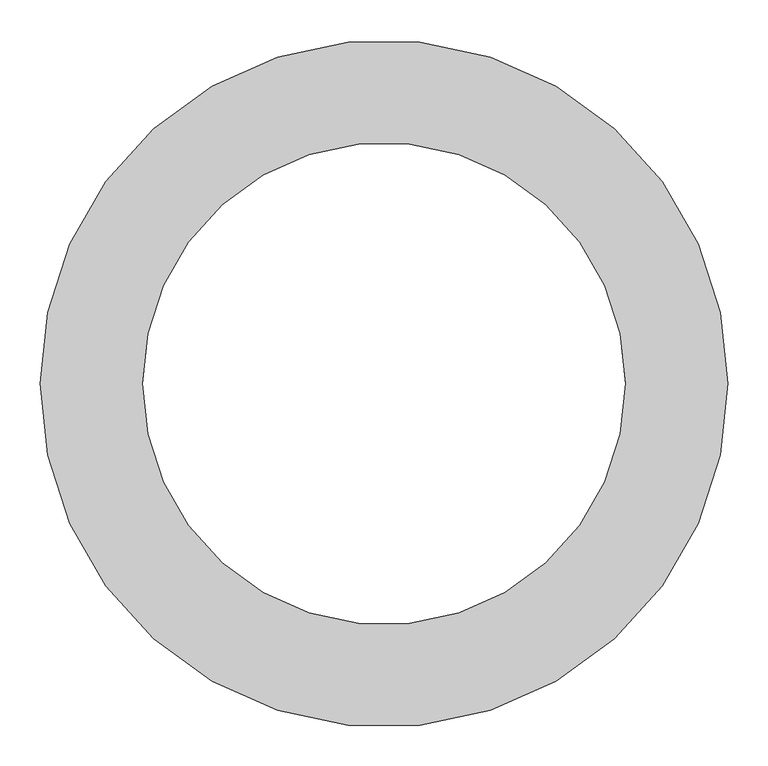
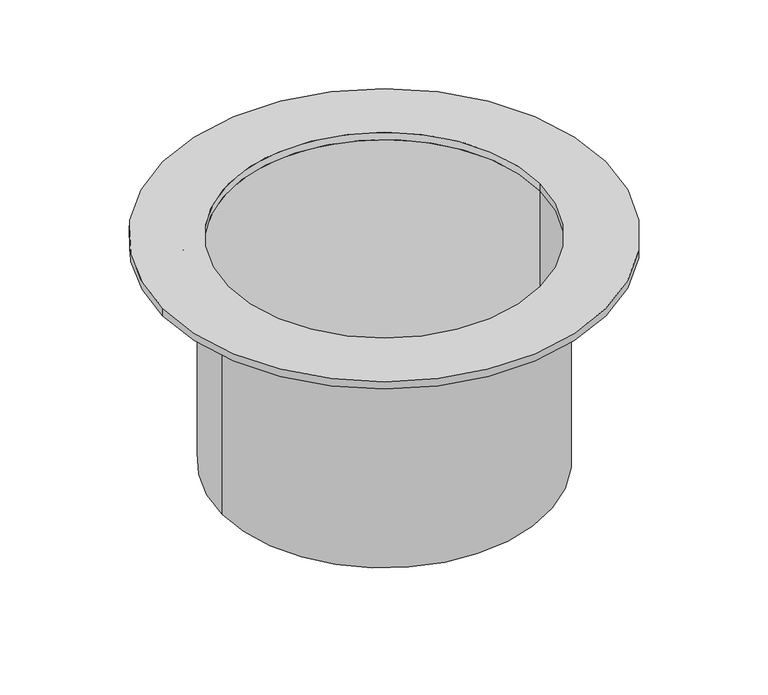
"""IFC4 building model written with IfcOpenShell, lengths in millimetres: proxy geometry."""

from ifc_helpers import new_model, si_unit, point, frame, origin, origin_2d, place, context, project, spatial, polyline, circle_curve, trimmed, segment, composite_curve, outline, extrude, source, transform, mapped, element, save


def specialty_equipment_2c5f0238(model_context):
    return source(origin(), model_context, "Body", "SweptSolid", [
        extrude(outline(composite_curve([segment(trimmed(circle_curve(origin_2d(), 313.0), [point((-313.0, 0.0))], [point((313.0, 0.0))], False, "CARTESIAN"), True, "CONTINUOUS"), segment(trimmed(circle_curve(origin_2d(), 313.0), [point((313.0, 0.0))], [point((-313.0, 0.0))], False, "CARTESIAN"), True, "CONTINUOUS")], self_intersect=False), holes=[composite_curve([segment(trimmed(circle_curve(origin_2d(), 300.0), [point((-300.0, 0.0))], [point((300.0, 0.0))], True, "CARTESIAN"), True, "CONTINUOUS"), segment(trimmed(circle_curve(origin_2d(), 300.0), [point((300.0, 0.0))], [point((-300.0, 0.0))], True, "CARTESIAN"), True, "CONTINUOUS")], self_intersect=False)]), frame((0.0, 0.0, -460.0), z_axis=(0.0, 0.0, 1.0), x_axis=(1.0, 0.0, 0.0)), (0.0, 0.0, 1.0), 445.0499376),
        extrude(outline(composite_curve([segment(trimmed(circle_curve(origin_2d(), 427.5), [point((-427.5, 0.0))], [point((427.5, 0.0))], False, "CARTESIAN"), True, "CONTINUOUS"), segment(trimmed(circle_curve(origin_2d(), 427.5), [point((427.5, 0.0))], [point((-427.5, 0.0))], False, "CARTESIAN"), True, "CONTINUOUS")], self_intersect=False), holes=[composite_curve([segment(trimmed(circle_curve(origin_2d(), 300.0), [point((-300.0, 0.0))], [point((300.0, 0.0))], True, "CARTESIAN"), True, "CONTINUOUS"), segment(trimmed(circle_curve(origin_2d(), 300.0), [point((300.0, 0.0))], [point((-300.0, 0.0))], True, "CARTESIAN"), True, "CONTINUOUS")], self_intersect=False)]), frame((0.0, 0.0, -14.9500624), z_axis=(0.0, 0.0, 1.0), x_axis=(1.0, 0.0, 0.0)), (0.0, 0.0, 1.0), 14.9500624),
        extrude(outline(polyline([(0.0, 0.0), (103.6001835, 0.0), (97.7366644, -23.939106), (0.0, 0.0)])), frame((-395.4623133, -121.3292977, -14.9500624), z_axis=(-0.2817325568411386, 0.959492973614583, 0.0), x_axis=(0.9319450222341504, 0.2736437484896747, -0.23790244732980043)), (0.0, 0.0, 1.0), 10.0),
        extrude(outline(polyline([(100.6257242, 0.0), (0.0, -24.6467372), (0.0, 0.0), (100.6257242, 0.0)])), frame((-201.1926619, -239.8239204, -14.9500624), z_axis=(-0.7557495743540761, 0.6548607339454953, 0.0), x_axis=(-0.6548607339454953, -0.7557495743540761, 0.0)), (0.0, 0.0, 1.0), 10.0),
        extrude(outline(polyline([(42.0990731, 0.0), (42.0990731, -100.6257242), (17.0491355, 0.0), (42.0990731, 0.0)])), frame((-260.6091517, -173.4268435, -57.0491355), z_axis=(-0.5406408174553543, 0.8412535328313376, 0.0), x_axis=(0.0, 0.0, 1.0)), (0.0, 0.0, 1.0), 10.0),
        extrude(outline(polyline([(42.0990731, 0.0), (42.0990731, -100.6257242), (17.0491355, 0.0), (42.0990731, 0.0)])), frame((-125.4767391, -286.7918896, -57.0491355), z_axis=(-0.9096319953544103, 0.41541501300212325, 0.0), x_axis=(0.0, 0.0, 1.0)), (0.0, 0.0, 1.0), 10.0),
        extrude(outline(polyline([(0.0, 0.0), (103.6001836, 0.0), (97.7366645, -23.9391061), (0.0, 0.0)])), frame((-53.9159708, -410.127185, -14.9500624), z_axis=(-0.9898214418808979, 0.142314838273527, 0.0), x_axis=(0.1382288445734335, 0.9614027314722929, -0.2379024473297994)), (0.0, 0.0, 1.0), 10.0),
        extrude(outline(polyline([(-14.9500624, 413.6257242), (-14.9500624, 313.0), (-39.5967996, 313.0), (-14.9500624, 413.6257242)])), frame((0.0, -5.0, 0.0), z_axis=(0.0, 1.0, 0.0), x_axis=(0.0, 0.0, 1.0)), (0.0, 0.0, 1.0), 10.0),
        extrude(outline(polyline([(-42.0990731, 0.0), (-17.0491355, 0.0), (-42.0990731, -100.6257243), (-42.0990731, 0.0)])), frame((301.7299635, 83.3848254, -57.0491355), z_axis=(-0.2817325568412944, 0.9594929736145372, 0.0), x_axis=(0.0, 0.0, -1.0)), (0.0, 0.0, 1.0), 10.0),
        extrude(outline(polyline([(0.0, 0.0), (-97.7366644, -23.9391061), (-103.6001835, 0.0), (0.0, 0.0)])), frame((350.6673059, 219.416682, -14.9500624), z_axis=(-0.5406408174554922, 0.8412535328312488, 0.0), x_axis=(0.8171003477029113, 0.5251185078991915, 0.23790244732980004)), (0.0, 0.0, 1.0), 10.0),
        extrude(outline(polyline([(0.0, 0.0), (-97.7366644, -23.9391061), (-103.6001835, 0.0), (0.0, 0.0)])), frame((345.2608977, -227.8292173, -14.9500624), z_axis=(0.5406408174557529, 0.8412535328310815, 0.0), x_axis=(0.8171003477027489, -0.5251185078994447, 0.23790244732979945)), (0.0, 0.0, 1.0), 10.0),
        extrude(outline(polyline([(0.0, 0.0), (0.0, -25.0499376), (-100.6257241, 0.0), (0.0, 0.0)])), frame((298.912638, -92.9797552, -14.9500624), z_axis=(0.2817325568415959, 0.9594929736144486, 0.0), x_axis=(-0.9594929736144486, 0.2817325568415959, 0.0)), (0.0, 0.0, 1.0), 10.0),
        extrude(outline(polyline([(0.0, 0.0), (0.0, -25.0499376), (-100.6257242, 0.0), (0.0, 0.0)])), frame((201.1926619, -239.8239204, -14.9500624), z_axis=(0.7557495743543908, 0.6548607339451322, 0.0), x_axis=(-0.6548607339451322, 0.7557495743543908, 0.0)), (0.0, 0.0, 1.0), 10.0),
        extrude(outline(polyline([(-100.6257242, 0.0), (0.0, 0.0), (0.0, -24.6467372), (-100.6257242, 0.0)])), frame((125.4767391, -286.7918896, -14.9500624), z_axis=(0.909631995354609, 0.41541501300168815, 0.0), x_axis=(-0.41541501300168815, 0.909631995354609, 0.0)), (0.0, 0.0, 1.0), 10.0),
        extrude(outline(polyline([(-42.0990731, 0.0), (-17.0491355, 0.0), (-42.0990731, -100.6257243), (-42.0990731, 0.0)])), frame((39.5954372, -310.5256855, -57.0491355), z_axis=(0.9898214418809654, 0.14231483827305813, 0.0), x_axis=(0.0, 0.0, -1.0)), (0.0, 0.0, 1.0), 10.0),
        extrude(outline(polyline([(0.0, 0.0), (103.6001836, 0.0), (97.7366645, -23.9391061), (0.0, 0.0)])), frame((-63.8141853, 408.7040366, -14.9500624), z_axis=(0.9898214418809428, 0.1423148382732152, 0.0), x_axis=(0.13822884457313064, -0.9614027314723363, -0.23790244732979987)), (0.0, 0.0, 1.0), 10.0),
        extrude(outline(polyline([(0.0, 0.0), (0.0, -25.0499376), (-100.6257243, 0.0), (0.0, 0.0)])), frame((49.4936516, 309.1025371, -14.9500624), z_axis=(-0.9898214418809201, 0.14231483827337268, 0.0), x_axis=(-0.14231483827337268, -0.9898214418809201, 0.0)), (0.0, 0.0, 1.0), 10.0),
        extrude(outline(polyline([(-100.6257242, 0.0), (0.0, 0.0), (0.0, -24.6467372), (-100.6257242, 0.0)])), frame((134.573059, 282.6377395, -14.9500624), z_axis=(-0.909631995354475, 0.41541501300198136, 0.0), x_axis=(-0.41541501300198136, -0.909631995354475, 0.0)), (0.0, 0.0, 1.0), 10.0),
        extrude(outline(polyline([(-42.0990731, 0.0), (-17.0491355, 0.0), (-42.0990731, -100.6257242), (-42.0990731, 0.0)])), frame((208.7501576, 233.2753131, -57.0491355), z_axis=(-0.7557495743541826, 0.6548607339453725, 0.0), x_axis=(0.0, 0.0, -1.0)), (0.0, 0.0, 1.0), 10.0),
        extrude(outline(polyline([(100.6257242, 0.0), (0.0, -24.6467372), (0.0, 0.0), (100.6257242, 0.0)])), frame((-208.7501576, 233.2753131, -14.9500624), z_axis=(0.7557495743542878, 0.6548607339452511, 0.0), x_axis=(-0.6548607339452511, 0.7557495743542878, 0.0)), (0.0, 0.0, 1.0), 10.0),
        extrude(outline(polyline([(42.0990731, 0.0), (42.0990731, -100.6257242), (17.0491355, 0.0), (42.0990731, 0.0)])), frame((-134.573059, 282.6377395, -57.0491355), z_axis=(0.9096319953545418, 0.41541501300183514, 0.0), x_axis=(0.0, 0.0, 1.0)), (0.0, 0.0, 1.0), 10.0),
        extrude(outline(polyline([(42.0990731, 0.0), (42.0990731, -100.6257242), (17.0491355, 0.0), (42.0990731, 0.0)])), frame((-266.0155599, 165.0143082, -57.0491355), z_axis=(0.5406408174556205, 0.8412535328311666, 0.0), x_axis=(0.0, 0.0, 1.0)), (0.0, 0.0, 1.0), 10.0),
        extrude(outline(composite_curve([segment(trimmed(circle_curve(origin_2d(), 313.0), [point((-260.5755532, -173.4052511))], [point((-208.7240033, -233.2451295))], True, "CARTESIAN"), True, "CONTINUOUS"), segment(polyline([(-208.7240033, -233.2451295), (-225.0974564, -252.1411016)]), True, "CONTINUOUS"), segment(trimmed(circle_curve(origin_2d(), 338.0), [point((-225.0974564, -252.1411016))], [point((-281.6093769, -186.9228688))], False, "CARTESIAN"), True, "CONTINUOUS"), segment(polyline([(-281.6093769, -186.9228688), (-260.5755532, -173.4052511)]), True, "CONTINUOUS")], self_intersect=False)), frame((0.0, 0.0, -19.9500624), z_axis=(0.0, 0.0, 1.0), x_axis=(1.0, 0.0, 0.0)), (0.0, 0.0, 1.0), 5.0),
        extrude(outline(composite_curve([segment(polyline([(-265.9819613, -164.9927157), (-287.015785, -178.5103334)]), True, "CONTINUOUS"), segment(trimmed(circle_curve(origin_2d(), 338.0), [point((-287.015785, -178.5103334))], [point((-322.8644761, -100.0126494))], False, "CARTESIAN"), True, "CONTINUOUS"), segment(polyline([(-322.8644761, -100.0126494), (-298.8743171, -92.9685031)]), True, "CONTINUOUS"), segment(trimmed(circle_curve(origin_2d(), 313.0), [point((-298.8743171, -92.9685031))], [point((-265.9819613, -164.9927157))], True, "CARTESIAN"), True, "CONTINUOUS")], self_intersect=False)), frame((0.0, 0.0, -19.9500624), z_axis=(0.0, 0.0, 1.0), x_axis=(1.0, 0.0, 0.0)), (0.0, 0.0, 1.0), 5.0),
        extrude(outline(composite_curve([segment(polyline([(-312.9600613, 5.0), (-337.9630157, 5.0)]), True, "CONTINUOUS"), segment(trimmed(circle_curve(origin_2d(), 338.0), [point((-337.9630157, 5.0))], [point((-325.6818017, 90.4177197))], False, "CARTESIAN"), True, "CONTINUOUS"), segment(polyline([(-325.6818017, 90.4177197), (-301.6916427, 83.3735734)]), True, "CONTINUOUS"), segment(trimmed(circle_curve(origin_2d(), 313.0), [point((-301.6916427, 83.3735734))], [point((-312.9600613, 5.0))], True, "CARTESIAN"), True, "CONTINUOUS")], self_intersect=False)), frame((0.0, 0.0, -19.9500624), z_axis=(0.0, 0.0, 1.0), x_axis=(1.0, 0.0, 0.0)), (0.0, 0.0, 1.0), 5.0),
        extrude(outline(composite_curve([segment(trimmed(circle_curve(origin_2d(), 313.0), [point((-312.9600613, -5.0))], [point((-301.6916427, -83.3735734))], True, "CARTESIAN"), True, "CONTINUOUS"), segment(polyline([(-301.6916427, -83.3735734), (-325.6818017, -90.4177197)]), True, "CONTINUOUS"), segment(trimmed(circle_curve(origin_2d(), 338.0), [point((-325.6818017, -90.4177197))], [point((-337.9630157, -5.0))], False, "CARTESIAN"), True, "CONTINUOUS"), segment(polyline([(-337.9630157, -5.0), (-312.9600613, -5.0)]), True, "CONTINUOUS")], self_intersect=False)), frame((0.0, 0.0, -19.9500624), z_axis=(0.0, 0.0, 1.0), x_axis=(1.0, 0.0, 0.0)), (0.0, 0.0, 1.0), 5.0),
        extrude(outline(composite_curve([segment(trimmed(circle_curve(origin_2d(), 313.0), [point((-265.9819613, 164.9927157))], [point((-298.8743171, 92.9685031))], True, "CARTESIAN"), True, "CONTINUOUS"), segment(polyline([(-298.8743171, 92.9685031), (-322.8644761, 100.0126494)]), True, "CONTINUOUS"), segment(trimmed(circle_curve(origin_2d(), 338.0), [point((-322.8644761, 100.0126494))], [point((-287.015785, 178.5103334))], False, "CARTESIAN"), True, "CONTINUOUS"), segment(polyline([(-287.015785, 178.5103334), (-265.9819613, 164.9927157)]), True, "CONTINUOUS")], self_intersect=False)), frame((0.0, 0.0, -19.9500624), z_axis=(0.0, 0.0, 1.0), x_axis=(1.0, 0.0, 0.0)), (0.0, 0.0, 1.0), 5.0),
        extrude(outline(composite_curve([segment(polyline([(-260.5755532, 173.4052511), (-281.6093769, 186.9228688)]), True, "CONTINUOUS"), segment(trimmed(circle_curve(origin_2d(), 338.0), [point((-281.6093769, 186.9228688))], [point((-225.0974564, 252.1411016))], False, "CARTESIAN"), True, "CONTINUOUS"), segment(polyline([(-225.0974564, 252.1411016), (-208.7240033, 233.2451295)]), True, "CONTINUOUS"), segment(trimmed(circle_curve(origin_2d(), 313.0), [point((-208.7240033, 233.2451295))], [point((-260.5755532, 173.4052511))], True, "CARTESIAN"), True, "CONTINUOUS")], self_intersect=False)), frame((0.0, 0.0, -19.9500624), z_axis=(0.0, 0.0, 1.0), x_axis=(1.0, 0.0, 0.0)), (0.0, 0.0, 1.0), 5.0),
        extrude(outline(composite_curve([segment(polyline([(208.7240033, 233.2451295), (225.0974564, 252.1411016)]), True, "CONTINUOUS"), segment(trimmed(circle_curve(origin_2d(), 338.0), [point((225.0974564, 252.1411016))], [point((281.6093769, 186.9228688))], False, "CARTESIAN"), True, "CONTINUOUS"), segment(polyline([(281.6093769, 186.9228688), (260.5755532, 173.4052511)]), True, "CONTINUOUS"), segment(trimmed(circle_curve(origin_2d(), 313.0), [point((260.5755532, 173.4052511))], [point((208.7240033, 233.2451295))], True, "CARTESIAN"), True, "CONTINUOUS")], self_intersect=False)), frame((0.0, 0.0, -19.9500624), z_axis=(0.0, 0.0, 1.0), x_axis=(1.0, 0.0, 0.0)), (0.0, 0.0, 1.0), 5.0),
        extrude(outline(composite_curve([segment(trimmed(circle_curve(origin_2d(), 313.0), [point((201.1665076, 239.7937368))], [point((134.5564679, 282.60141))], True, "CARTESIAN"), True, "CONTINUOUS"), segment(polyline([(134.5564679, 282.60141), (144.9430705, 305.3448973)]), True, "CONTINUOUS"), segment(trimmed(circle_curve(origin_2d(), 338.0), [point((144.9430705, 305.3448973))], [point((217.5399607, 258.689709))], False, "CARTESIAN"), True, "CONTINUOUS"), segment(polyline([(217.5399607, 258.689709), (201.1665076, 239.7937368)]), True, "CONTINUOUS")], self_intersect=False)), frame((0.0, 0.0, -19.9500624), z_axis=(0.0, 0.0, 1.0), x_axis=(1.0, 0.0, 0.0)), (0.0, 0.0, 1.0), 5.0),
        extrude(outline(composite_curve([segment(trimmed(circle_curve(origin_2d(), 313.0), [point((39.5897533, 310.4861534))], [point((-39.5897533, 310.4861534))], True, "CARTESIAN"), True, "CONTINUOUS"), segment(polyline([(-39.5897533, 310.4861534), (-43.1480447, 335.2346137)]), True, "CONTINUOUS"), segment(trimmed(circle_curve(origin_2d(), 338.0), [point((-43.1480447, 335.2346137))], [point((43.1480447, 335.2346137))], False, "CARTESIAN"), True, "CONTINUOUS"), segment(polyline([(43.1480447, 335.2346137), (39.5897533, 310.4861534)]), True, "CONTINUOUS")], self_intersect=False)), frame((0.0, 0.0, -19.9500624), z_axis=(0.0, 0.0, 1.0), x_axis=(1.0, 0.0, 0.0)), (0.0, 0.0, 1.0), 5.0),
        extrude(outline(composite_curve([segment(polyline([(49.4879677, 309.063005), (53.0462591, 333.8114653)]), True, "CONTINUOUS"), segment(trimmed(circle_curve(origin_2d(), 338.0), [point((53.0462591, 333.8114653))], [point((135.8467506, 309.4990474))], False, "CARTESIAN"), True, "CONTINUOUS"), segment(polyline([(135.8467506, 309.4990474), (125.460148, 286.7555601)]), True, "CONTINUOUS"), segment(trimmed(circle_curve(origin_2d(), 313.0), [point((125.460148, 286.7555601))], [point((49.4879677, 309.063005))], True, "CARTESIAN"), True, "CONTINUOUS")], self_intersect=False)), frame((0.0, 0.0, -19.9500624), z_axis=(0.0, 0.0, 1.0), x_axis=(1.0, 0.0, 0.0)), (0.0, 0.0, 1.0), 5.0),
        extrude(outline(composite_curve([segment(polyline([(-125.460148, 286.7555601), (-135.8467506, 309.4990474)]), True, "CONTINUOUS"), segment(trimmed(circle_curve(origin_2d(), 338.0), [point((-135.8467506, 309.4990474))], [point((-53.0462591, 333.8114653))], False, "CARTESIAN"), True, "CONTINUOUS"), segment(polyline([(-53.0462591, 333.8114653), (-49.4879677, 309.063005)]), True, "CONTINUOUS"), segment(trimmed(circle_curve(origin_2d(), 313.0), [point((-49.4879677, 309.063005))], [point((-125.460148, 286.7555601))], True, "CARTESIAN"), True, "CONTINUOUS")], self_intersect=False)), frame((0.0, 0.0, -19.9500624), z_axis=(0.0, 0.0, 1.0), x_axis=(1.0, 0.0, 0.0)), (0.0, 0.0, 1.0), 5.0),
        extrude(outline(composite_curve([segment(trimmed(circle_curve(origin_2d(), 313.0), [point((-134.5564679, 282.60141))], [point((-201.1665076, 239.7937368))], True, "CARTESIAN"), True, "CONTINUOUS"), segment(polyline([(-201.1665076, 239.7937368), (-217.5399607, 258.689709)]), True, "CONTINUOUS"), segment(trimmed(circle_curve(origin_2d(), 338.0), [point((-217.5399607, 258.689709))], [point((-144.9430705, 305.3448973))], False, "CARTESIAN"), True, "CONTINUOUS"), segment(polyline([(-144.9430705, 305.3448973), (-134.5564679, 282.60141)]), True, "CONTINUOUS")], self_intersect=False)), frame((0.0, 0.0, -19.9500624), z_axis=(0.0, 0.0, 1.0), x_axis=(1.0, 0.0, 0.0)), (0.0, 0.0, 1.0), 5.0),
        extrude(outline(composite_curve([segment(trimmed(circle_curve(origin_2d(), 313.0), [point((298.8743171, 92.9685031))], [point((265.9819613, 164.9927157))], True, "CARTESIAN"), True, "CONTINUOUS"), segment(polyline([(265.9819613, 164.9927157), (287.015785, 178.5103334)]), True, "CONTINUOUS"), segment(trimmed(circle_curve(origin_2d(), 338.0), [point((287.015785, 178.5103334))], [point((322.8644761, 100.0126494))], False, "CARTESIAN"), True, "CONTINUOUS"), segment(polyline([(322.8644761, 100.0126494), (298.8743171, 92.9685031)]), True, "CONTINUOUS")], self_intersect=False)), frame((0.0, 0.0, -19.9500624), z_axis=(0.0, 0.0, 1.0), x_axis=(1.0, 0.0, 0.0)), (0.0, 0.0, 1.0), 5.0),
        extrude(outline(composite_curve([segment(polyline([(301.6916427, 83.3735734), (325.6818017, 90.4177197)]), True, "CONTINUOUS"), segment(trimmed(circle_curve(origin_2d(), 338.0), [point((325.6818017, 90.4177197))], [point((337.9630157, 5.0))], False, "CARTESIAN"), True, "CONTINUOUS"), segment(polyline([(337.9630157, 5.0), (312.9600613, 5.0)]), True, "CONTINUOUS"), segment(trimmed(circle_curve(origin_2d(), 313.0), [point((312.9600613, 5.0))], [point((301.6916427, 83.3735734))], True, "CARTESIAN"), True, "CONTINUOUS")], self_intersect=False)), frame((0.0, 0.0, -19.9500624), z_axis=(0.0, 0.0, 1.0), x_axis=(1.0, 0.0, 0.0)), (0.0, 0.0, 1.0), 5.0),
        extrude(outline(composite_curve([segment(polyline([(298.8743171, -92.9685031), (322.8644761, -100.0126494)]), True, "CONTINUOUS"), segment(trimmed(circle_curve(origin_2d(), 338.0), [point((322.8644761, -100.0126494))], [point((287.015785, -178.5103334))], False, "CARTESIAN"), True, "CONTINUOUS"), segment(polyline([(287.015785, -178.5103334), (265.9819613, -164.9927157)]), True, "CONTINUOUS"), segment(trimmed(circle_curve(origin_2d(), 313.0), [point((265.9819613, -164.9927157))], [point((298.8743171, -92.9685031))], True, "CARTESIAN"), True, "CONTINUOUS")], self_intersect=False)), frame((0.0, 0.0, -19.9500624), z_axis=(0.0, 0.0, 1.0), x_axis=(1.0, 0.0, 0.0)), (0.0, 0.0, 1.0), 5.0),
        extrude(outline(composite_curve([segment(trimmed(circle_curve(origin_2d(), 313.0), [point((301.6916427, -83.3735734))], [point((312.9600613, -5.0))], True, "CARTESIAN"), True, "CONTINUOUS"), segment(polyline([(312.9600613, -5.0), (337.9630157, -5.0)]), True, "CONTINUOUS"), segment(trimmed(circle_curve(origin_2d(), 338.0), [point((337.9630157, -5.0))], [point((325.6818017, -90.4177197))], False, "CARTESIAN"), True, "CONTINUOUS"), segment(polyline([(325.6818017, -90.4177197), (301.6916427, -83.3735734)]), True, "CONTINUOUS")], self_intersect=False)), frame((0.0, 0.0, -19.9500624), z_axis=(0.0, 0.0, 1.0), x_axis=(1.0, 0.0, 0.0)), (0.0, 0.0, 1.0), 5.0),
        extrude(outline(composite_curve([segment(trimmed(circle_curve(origin_2d(), 313.0), [point((208.7240033, -233.2451295))], [point((260.5755532, -173.4052511))], True, "CARTESIAN"), True, "CONTINUOUS"), segment(polyline([(260.5755532, -173.4052511), (281.6093769, -186.9228688)]), True, "CONTINUOUS"), segment(trimmed(circle_curve(origin_2d(), 338.0), [point((281.6093769, -186.9228688))], [point((225.0974564, -252.1411016))], False, "CARTESIAN"), True, "CONTINUOUS"), segment(polyline([(225.0974564, -252.1411016), (208.7240033, -233.2451295)]), True, "CONTINUOUS")], self_intersect=False)), frame((0.0, 0.0, -19.9500624), z_axis=(0.0, 0.0, 1.0), x_axis=(1.0, 0.0, 0.0)), (0.0, 0.0, 1.0), 5.0),
        extrude(outline(composite_curve([segment(polyline([(201.1665076, -239.7937368), (217.5399607, -258.689709)]), True, "CONTINUOUS"), segment(trimmed(circle_curve(origin_2d(), 338.0), [point((217.5399607, -258.689709))], [point((144.9430705, -305.3448973))], False, "CARTESIAN"), True, "CONTINUOUS"), segment(polyline([(144.9430705, -305.3448973), (134.5564679, -282.60141)]), True, "CONTINUOUS"), segment(trimmed(circle_curve(origin_2d(), 313.0), [point((134.5564679, -282.60141))], [point((201.1665076, -239.7937368))], True, "CARTESIAN"), True, "CONTINUOUS")], self_intersect=False)), frame((0.0, 0.0, -19.9500624), z_axis=(0.0, 0.0, 1.0), x_axis=(1.0, 0.0, 0.0)), (0.0, 0.0, 1.0), 5.0),
        extrude(outline(composite_curve([segment(trimmed(circle_curve(origin_2d(), 313.0), [point((-125.460148, -286.7555601))], [point((-49.4879677, -309.063005))], True, "CARTESIAN"), True, "CONTINUOUS"), segment(polyline([(-49.4879677, -309.063005), (-53.0462591, -333.8114653)]), True, "CONTINUOUS"), segment(trimmed(circle_curve(origin_2d(), 338.0), [point((-53.0462591, -333.8114653))], [point((-135.8467506, -309.4990474))], False, "CARTESIAN"), True, "CONTINUOUS"), segment(polyline([(-135.8467506, -309.4990474), (-125.460148, -286.7555601)]), True, "CONTINUOUS")], self_intersect=False)), frame((0.0, 0.0, -19.9500624), z_axis=(0.0, 0.0, 1.0), x_axis=(1.0, 0.0, 0.0)), (0.0, 0.0, 1.0), 5.0),
        extrude(outline(composite_curve([segment(polyline([(-134.5564679, -282.60141), (-144.9430705, -305.3448973)]), True, "CONTINUOUS"), segment(trimmed(circle_curve(origin_2d(), 338.0), [point((-144.9430705, -305.3448973))], [point((-217.5399607, -258.689709))], False, "CARTESIAN"), True, "CONTINUOUS"), segment(polyline([(-217.5399607, -258.689709), (-201.1665076, -239.7937368)]), True, "CONTINUOUS"), segment(trimmed(circle_curve(origin_2d(), 313.0), [point((-201.1665076, -239.7937368))], [point((-134.5564679, -282.60141))], True, "CARTESIAN"), True, "CONTINUOUS")], self_intersect=False)), frame((0.0, 0.0, -19.9500624), z_axis=(0.0, 0.0, 1.0), x_axis=(1.0, 0.0, 0.0)), (0.0, 0.0, 1.0), 5.0),
        extrude(outline(composite_curve([segment(polyline([(39.5897533, -310.4861534), (43.1480447, -335.2346137)]), True, "CONTINUOUS"), segment(trimmed(circle_curve(origin_2d(), 338.0), [point((43.1480447, -335.2346137))], [point((-43.1480447, -335.2346137))], False, "CARTESIAN"), True, "CONTINUOUS"), segment(polyline([(-43.1480447, -335.2346137), (-39.5897533, -310.4861534)]), True, "CONTINUOUS"), segment(trimmed(circle_curve(origin_2d(), 313.0), [point((-39.5897533, -310.4861534))], [point((39.5897533, -310.4861534))], True, "CARTESIAN"), True, "CONTINUOUS")], self_intersect=False)), frame((0.0, 0.0, -19.9500624), z_axis=(0.0, 0.0, 1.0), x_axis=(1.0, 0.0, 0.0)), (0.0, 0.0, 1.0), 5.0),
        extrude(outline(composite_curve([segment(trimmed(circle_curve(origin_2d(), 313.0), [point((49.4879677, -309.063005))], [point((125.460148, -286.7555601))], True, "CARTESIAN"), True, "CONTINUOUS"), segment(polyline([(125.460148, -286.7555601), (135.8467506, -309.4990474)]), True, "CONTINUOUS"), segment(trimmed(circle_curve(origin_2d(), 338.0), [point((135.8467506, -309.4990474))], [point((53.0462591, -333.8114653))], False, "CARTESIAN"), True, "CONTINUOUS"), segment(polyline([(53.0462591, -333.8114653), (49.4879677, -309.063005)]), True, "CONTINUOUS")], self_intersect=False)), frame((0.0, 0.0, -19.9500624), z_axis=(0.0, 0.0, 1.0), x_axis=(1.0, 0.0, 0.0)), (0.0, 0.0, 1.0), 5.0),
        extrude(outline(polyline([(0.0, 0.0), (103.6001836, 0.0), (97.7366645, -23.9391061), (0.0, 0.0)])), frame((-398.2796389, 111.734368, -14.9500624), z_axis=(0.2817325568414406, 0.9594929736144943, 0.0), x_axis=(0.9319450222340643, -0.273643748489968, -0.2379024473298008)), (0.0, 0.0, 1.0), 10.0),
        extrude(outline(polyline([(-14.9500624, -313.0), (-14.9500624, -413.6257242), (-40.0, -313.0), (-14.9500624, -313.0)])), frame((0.0, -5.0, 0.0), z_axis=(0.0, 1.0, 0.0), x_axis=(0.0, 0.0, 1.0)), (0.0, 0.0, 1.0), 10.0),
    ])


if __name__ == "__main__":
    model = new_model("IFC4")
    model_context = context("Model", 3, world=origin())
    ifc_project = project(units=[si_unit("LENGTHUNIT", "METRE", prefix="MILLI")], contexts=[model_context])
    site = spatial("IfcSite", under=ifc_project)
    building = spatial("IfcBuilding", under=site)
    placement = place(None, origin())
    specialty_equipment_shape = specialty_equipment_2c5f0238(model_context)
    element("IfcBuildingElementProxy", 1, Name="Specialty Equipment", at=placement, inside=building, context=model_context, shape_type="MappedRepresentation", body=[
        mapped(specialty_equipment_shape, transform((0.0, 0.0, 0.0), x_axis=(1.0, 0.0, 0.0), y_axis=(0.0, 1.0, 0.0), z_axis=(0.0, 0.0, 1.0))),
    ])
    save(model, "model.ifc")
